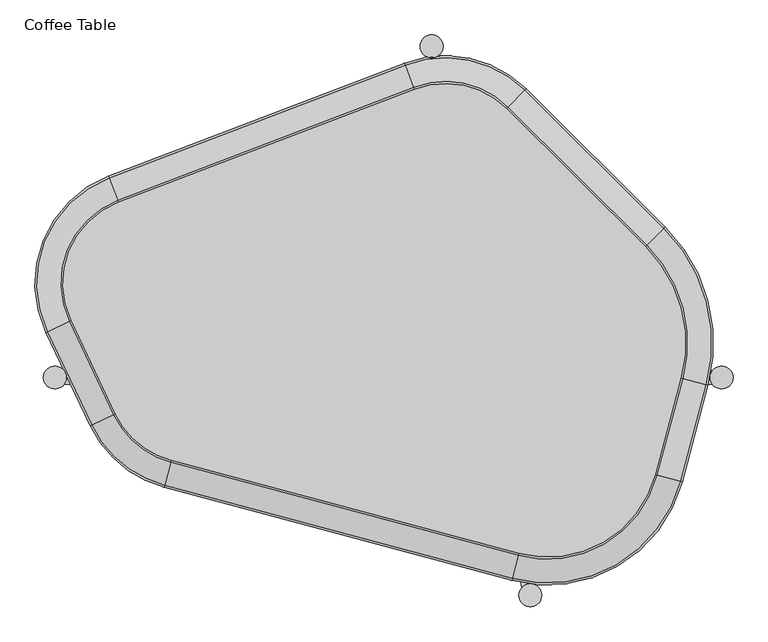
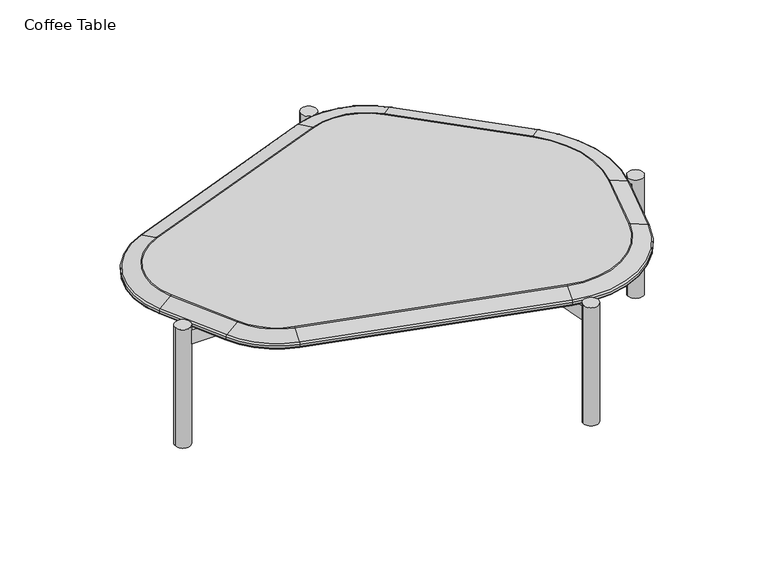
"""IFC4 building model written with IfcOpenShell, lengths in millimetres: furniture geometry, Coffee Table."""

from ifc_helpers import new_model, si_unit, point, frame, origin, place, context, project, spatial, polyline, circle_curve, ellipse_curve, trimmed, source, transform, mapped, element, save
from ifc_brep_helpers import plane_surface, cylinder_surface, revolved_surface, advanced_brep


def coffee_table_8e93f0d2(model_context):
    return source(origin(), model_context, "Body", "AdvancedBrep", [
        advanced_brep(
        [(94.3219868, 12.5169958, 325.0001115), (-674.1552396, 12.5169958, 325.0001115), (-670.0171736, 0.0, 325.0001115), (-674.1426299, -12.499991, 325.0001115), (98.8206312, -12.499991, 325.0001115), (165.8112924, -385.0354313, 325.0001115), (190.4680998, -380.5880957, 325.0001115), (124.2771745, -12.499991, 325.0001115), (515.2895593, -12.499991, 325.0001115), (511.164103, 0.0, 325.0001115), (515.3021691, 12.5169958, 325.0001115), (119.77853, 12.5169958, 325.0001115), (15.3422971, 593.2874688, 325.0001115), (-9.3076646, 588.8020646, 325.0001115), (94.3219868, 12.5169958, 285.0002638), (-9.3076646, 588.8020646, 285.0002638), (15.3422971, 593.2874688, 285.0002638), (119.77853, 12.5169958, 285.0002638), (515.3021691, 12.5169958, 285.0002638), (511.164103, 0.0, 285.0002638), (515.2895593, -12.499991, 285.0002638), (124.2771745, -12.499991, 285.0002638), (190.4680998, -380.5880957, 285.0002638), (165.8112924, -385.0354313, 285.0002638), (98.8206312, -12.499991, 285.0002638), (-674.1426299, -12.499991, 285.0002638), (-670.0171736, 0.0, 285.0002638), (-674.1552396, 12.5169958, 285.0002638), (-712.0171736, 0.0, 338.1383504), (-670.0171736, 0.0, 338.1383504), (-21.0, 607.6267128, 338.1383504), (21.0, 607.6267128, 338.1383504), (511.164103, 0.0, 338.1383504), (553.164103, 0.0, 338.1383504), (160.1314131, -399.3983663, 338.1383504), (202.1314131, -399.3983663, 338.1383504), (-712.0171736, 0.0, 0.0), (-670.0171736, 0.0, 0.0), (-21.0, 607.6267128, 0.0), (21.0, 607.6267128, 0.0), (511.164103, 0.0, 0.0), (553.164103, 0.0, 0.0), (160.1314131, -399.3983663, 0.0), (202.1314131, -399.3983663, 0.0)],
        [
            (0, 1),
            (1, 2, circle_curve(frame((-691.0171736, 0.0, 325.0001115), z_axis=(0.0, 0.0, -1.0), x_axis=(1.0, 0.0, 0.0)), 21.0)),
            (2, 3, circle_curve(frame((-691.0171736, 0.0, 325.0001115), z_axis=(0.0, 0.0, -1.0), x_axis=(1.0, 0.0, 0.0)), 21.0)),
            (3, 4),
            (4, 5),
            (5, 6, circle_curve(frame((181.1314131, -399.3983663, 325.0001115), z_axis=(0.0, 0.0, -1.0), x_axis=(1.0, 0.0, 0.0)), 21.0)),
            (6, 7),
            (7, 8),
            (8, 9, circle_curve(frame((532.164103, 0.0, 325.0001115), z_axis=(0.0, 0.0, -1.0), x_axis=(1.0, 0.0, 0.0)), 21.0)),
            (9, 10, circle_curve(frame((532.164103, 0.0, 325.0001115), z_axis=(0.0, 0.0, -1.0), x_axis=(1.0, 0.0, 0.0)), 21.0)),
            (10, 11),
            (11, 12),
            (12, 13, circle_curve(frame((0.0, 607.6267128, 325.0001115), z_axis=(0.0, 0.0, -1.0), x_axis=(1.0, 0.0, 0.0)), 21.0)),
            (13, 0),
            (14, 15),
            (15, 16, circle_curve(frame((0.0, 607.6267128, 285.0002638), z_axis=(0.0, 0.0, 1.0), x_axis=(1.0, 0.0, 0.0)), 21.0)),
            (16, 17),
            (17, 18),
            (18, 19, circle_curve(frame((532.164103, 0.0, 285.0002638), z_axis=(0.0, 0.0, 1.0), x_axis=(1.0, 0.0, 0.0)), 21.0)),
            (19, 20, circle_curve(frame((532.164103, 0.0, 285.0002638), z_axis=(0.0, 0.0, 1.0), x_axis=(1.0, 0.0, 0.0)), 21.0)),
            (20, 21),
            (21, 22),
            (22, 23, circle_curve(frame((181.1314131, -399.3983663, 285.0002638), z_axis=(0.0, 0.0, 1.0), x_axis=(1.0, 0.0, 0.0)), 21.0)),
            (23, 24),
            (24, 25),
            (25, 26, circle_curve(frame((-691.0171736, 0.0, 285.0002638), z_axis=(0.0, 0.0, 1.0), x_axis=(1.0, 0.0, 0.0)), 21.0)),
            (26, 27, circle_curve(frame((-691.0171736, 0.0, 285.0002638), z_axis=(0.0, 0.0, 1.0), x_axis=(1.0, 0.0, 0.0)), 21.0)),
            (27, 14),
            (0, 14),
            (27, 1),
            (24, 4),
            (3, 25),
            (23, 5),
            (21, 7),
            (6, 22),
            (20, 8),
            (17, 11),
            (10, 18),
            (16, 12),
            (13, 15),
            (28, 29, circle_curve(frame((-691.0171736, 0.0, 338.1383504), z_axis=(0.0, 0.0, 1.0), x_axis=(1.0, 0.0, 0.0)), 21.0)),
            (29, 28, circle_curve(frame((-691.0171736, 0.0, 338.1383504), z_axis=(0.0, 0.0, 1.0), x_axis=(1.0, 0.0, 0.0)), 21.0)),
            (30, 31, circle_curve(frame((0.0, 607.6267128, 338.1383504), z_axis=(0.0, 0.0, 1.0), x_axis=(1.0, 0.0, 0.0)), 21.0)),
            (31, 30, circle_curve(frame((0.0, 607.6267128, 338.1383504), z_axis=(0.0, 0.0, 1.0), x_axis=(1.0, 0.0, 0.0)), 21.0)),
            (32, 33, circle_curve(frame((532.164103, 0.0, 338.1383504), z_axis=(0.0, 0.0, 1.0), x_axis=(1.0, 0.0, 0.0)), 21.0)),
            (33, 32, circle_curve(frame((532.164103, 0.0, 338.1383504), z_axis=(0.0, 0.0, 1.0), x_axis=(1.0, 0.0, 0.0)), 21.0)),
            (34, 35, circle_curve(frame((181.1314131, -399.3983663, 338.1383504), z_axis=(0.0, 0.0, 1.0), x_axis=(1.0, 0.0, 0.0)), 21.0)),
            (35, 34, circle_curve(frame((181.1314131, -399.3983663, 338.1383504), z_axis=(0.0, 0.0, 1.0), x_axis=(1.0, 0.0, 0.0)), 21.0)),
            (36, 37, circle_curve(frame((-691.0171736, 0.0, 0.0), z_axis=(0.0, 0.0, -1.0), x_axis=(1.0, 0.0, 0.0)), 21.0)),
            (37, 36, circle_curve(frame((-691.0171736, 0.0, 0.0), z_axis=(0.0, 0.0, -1.0), x_axis=(1.0, 0.0, 0.0)), 21.0)),
            (38, 39, circle_curve(frame((0.0, 607.6267128, 0.0), z_axis=(0.0, 0.0, -1.0), x_axis=(1.0, 0.0, 0.0)), 21.0)),
            (39, 38, circle_curve(frame((0.0, 607.6267128, 0.0), z_axis=(0.0, 0.0, -1.0), x_axis=(1.0, 0.0, 0.0)), 21.0)),
            (40, 41, circle_curve(frame((532.164103, 0.0, 0.0), z_axis=(0.0, 0.0, -1.0), x_axis=(1.0, 0.0, 0.0)), 21.0)),
            (41, 40, circle_curve(frame((532.164103, 0.0, 0.0), z_axis=(0.0, 0.0, -1.0), x_axis=(1.0, 0.0, 0.0)), 21.0)),
            (42, 43, circle_curve(frame((181.1314131, -399.3983663, 0.0), z_axis=(0.0, 0.0, -1.0), x_axis=(1.0, 0.0, 0.0)), 21.0)),
            (43, 42, circle_curve(frame((181.1314131, -399.3983663, 0.0), z_axis=(0.0, 0.0, -1.0), x_axis=(1.0, 0.0, 0.0)), 21.0)),
            (28, 36),
            (37, 26),
            (2, 29),
            (30, 38),
            (39, 31),
            (32, 9),
            (19, 40),
            (41, 33),
            (34, 42),
            (43, 35),
        ],
        [
            plane_surface(frame((-675.6225144, 12.5169958, 325.0001115), z_axis=(0.0, 0.0, 1.0), x_axis=(-1.0, 0.0, 0.0))),
            plane_surface(frame((-675.6225144, 12.5169958, 285.0002638), z_axis=(0.0, 0.0, -1.0), x_axis=(1.0, 0.0, 0.0))),
            plane_surface(frame((94.3219868, 12.5169958, 325.0001115), z_axis=(0.0, 1.0, 0.0), x_axis=(0.0, 0.0, -1.0))),
            plane_surface(frame((-685.3550178, -12.499991, 325.0001115), z_axis=(0.0, -1.0, 0.0), x_axis=(0.0, 0.0, -1.0))),
            plane_surface(frame((98.8206312, -12.499991, 325.0001115), z_axis=(-0.9842135808850035, -0.1769848219523885, 0.0), x_axis=(0.0, 0.0, -1.0))),
            plane_surface(frame((192.4240819, -391.4653229, 325.0001115), z_axis=(0.9842135808850041, 0.17698482195238546, 0.0), x_axis=(0.0, 0.0, -1.0))),
            plane_surface(frame((124.2771745, -12.499991, 325.0001115), z_axis=(0.0, -1.0, 0.0), x_axis=(0.0, 0.0, -1.0))),
            plane_surface(frame((522.4056366, 12.5169958, 325.0001115), z_axis=(0.0, 1.0, 0.0), x_axis=(0.0, 0.0, -1.0))),
            plane_surface(frame((119.77853, 12.5169958, 325.0001115), z_axis=(0.9842135808850041, 0.1769848219523855, 0.0), x_axis=(0.0, 0.0, -1.0))),
            plane_surface(frame((-12.1842137, 604.7985702, 325.0001115), z_axis=(-0.9842135808850035, -0.17698482195238843, 0.0), x_axis=(0.0, 0.0, -1.0))),
            plane_surface(frame((-670.0171736, 0.0, 338.1383504), z_axis=(0.0, 0.0, 1.0), x_axis=(0.0, 1.0, 0.0))),
            plane_surface(frame((-670.0171736, 0.0, 0.0), z_axis=(0.0, 0.0, -1.0), x_axis=(0.0, -1.0, 0.0))),
            cylinder_surface(frame((-691.0171736, 0.0, 0.0), z_axis=(0.0, 0.0, 1.0), x_axis=(1.0, 0.0, 0.0)), 21.0),
            cylinder_surface(frame((0.0, 607.6267128, 0.0), z_axis=(0.0, 0.0, 1.0), x_axis=(1.0, 0.0, 0.0)), 21.0),
            cylinder_surface(frame((532.164103, 0.0, 0.0), z_axis=(0.0, 0.0, 1.0), x_axis=(1.0, 0.0, 0.0)), 21.0),
            cylinder_surface(frame((181.1314131, -399.3983663, 0.0), z_axis=(0.0, 0.0, 1.0), x_axis=(1.0, 0.0, 0.0)), 21.0),
        ],
        [
            (0, [[1, 2, 3, 4, 5, 6, 7, 8, 9, 10, 11, 12, 13, 14]]),
            (1, [[15, 16, 17, 18, 19, 20, 21, 22, 23, 24, 25, 26, 27, 28]]),
            (2, [[29, -28, 30, -1]]),
            (3, [[31, -4, 32, -25]]),
            (4, [[-31, -24, 33, -5]]),
            (5, [[34, -7, 35, -22]]),
            (6, [[-34, -21, 36, -8]]),
            (7, [[37, -11, 38, -18]]),
            (8, [[-37, -17, 39, -12]]),
            (9, [[-29, -14, 40, -15]]),
            (10, [[41, 42]]),
            (10, [[43, 44]]),
            (10, [[45, 46]]),
            (10, [[47, 48]]),
            (11, [[49, 50]]),
            (11, [[51, 52]]),
            (11, [[53, 54]]),
            (11, [[55, 56]]),
            (12, [[-41, 57, -50, 58, -26, -32, -3, 59]]),
            (12, [[-42, -59, -2, -30, -27, -58, -49, -57]]),
            (13, [[-43, 60, -52, 61], [-13, -39, -16, -40]]),
            (13, [[-44, -61, -51, -60]]),
            (14, [[-45, 62, -9, -36, -20, 63, -54, 64]]),
            (14, [[-46, -64, -53, -63, -19, -38, -10, -62]]),
            (15, [[-47, 65, -56, 66]]),
            (15, [[-48, -66, -55, -65], [-6, -33, -23, -35]]),
        ],
    ),
        advanced_brep(
        [(-574.4524919, 321.4086629, 350.000039), (-661.2825402, 104.7602623, 350.000039), (-580.0053478, -66.2984619, 350.000039), (-477.6019635, -151.5960215, 350.000039), (160.3613364, -322.5378677, 350.000039), (410.0998783, -178.3512765, 350.000039), (457.5865801, -1.1284924, 350.000039), (392.7238419, 239.7395526, 350.000039), (137.9488708, 493.2456689, 350.000039), (-30.8395231, 529.0487896, 350.000039), (-706.6368774, 83.2105097, 325.0001115), (-592.3697043, 368.3168844, 325.0001115), (-48.7567356, 575.9570111, 325.0001115), (173.3665156, 528.8405869, 325.0001115), (428.1414867, 275.3344706, 325.0001115), (506.0892136, -14.1247339, 325.0001115), (458.6025118, -191.3475179, 325.0001115), (147.3650881, -371.0404994, 325.0001115), (-490.5982117, -200.0986532, 325.0001115), (-625.359685, -87.8482145, 325.0001115), (428.7591776, 275.9552532, 333.5931385), (428.7591776, 275.9552532, 327.8268488), (173.9842064, 529.4613694, 327.8268488), (173.9842064, 529.4613694, 333.593135), (-49.0692154, 576.7750999, 327.8268488), (-49.0692154, 576.7750999, 333.5931354), (-592.6821841, 369.1349732, 327.8268488), (-592.6821841, 369.1349732, 333.5931357), (-707.4278662, 82.8346776, 327.8268488), (-707.4278662, 82.8346776, 333.5931354), (-626.1506738, -88.2240466, 327.8268488), (-626.1506738, -88.2240466, 333.593135), (-490.8248689, -200.9445488, 327.8268488), (-490.8248689, -200.9445488, 333.5931354), (147.138431, -371.886395, 327.8268488), (147.138431, -371.886395, 333.593135), (459.4484075, -191.574175, 327.8268488), (459.4484075, -191.574175, 333.5931348), (506.9351093, -14.351391, 327.8268488), (506.9351093, -14.351391, 333.593135), (-704.0037216, 84.4616327, 338.4447678), (-664.8497783, 103.0653175, 349.2469963), (-575.8617278, 325.0981181, 349.2469963), (-591.3294772, 365.593514, 338.4447678), (-622.7265291, -86.5970915, 338.4447678), (-583.5725859, -67.9934067, 349.2469963), (-489.8436831, -197.2827154, 338.4447678), (-478.6241527, -155.4108813, 349.2469963), (148.1196168, -368.2245616, 338.4447678), (159.3391472, -326.3527275, 349.2469963), (455.7865739, -190.5929897, 338.4447678), (413.9147382, -179.3734651, 349.2469963), (503.2732758, -13.3702056, 338.4447678), (461.4014401, -2.1506811, 349.2469963), (426.0852296, 273.2679215, 338.4447678), (395.5095331, 242.5391867, 349.2469963), (171.3102584, 526.7740378, 338.4447678), (140.7345619, 496.045303, 349.2469963), (-47.7165084, 573.2336407, 338.4447678), (-32.2487591, 532.7382448, 349.2469963)],
        [
            (0, 1, circle_curve(frame((-517.7500336, 172.9585913, 350.000039), z_axis=(0.0, 0.0, 1.0), x_axis=(-0.35681976434592083, 0.9341732471935393, 0.0)), 158.9106432)),
            (1, 2),
            (2, 3, circle_curve(frame((-436.4728412, 1.8998671, 350.000039), z_axis=(0.0, 0.0, 1.0), x_axis=(-0.9032277742918593, -0.4291614937850017, 0.0)), 158.9106432)),
            (3, 4),
            (4, 5, circle_curve(frame((213.1373218, -125.5753185, 350.000039), z_axis=(0.0, 0.0, 1.0), x_axis=(-0.2588191795950635, -0.9659257902518901, 0.0)), 203.9106432)),
            (5, 6),
            (6, 7, circle_curve(frame((217.1573614, 63.2943226, 350.000039), z_axis=(0.0, 0.0, 1.0), x_axis=(0.9659258262890662, -0.2588190451025284, 0.0)), 248.9106432)),
            (7, 8),
            (8, 9, circle_curve(frame((25.8629351, 380.598718, 350.000039), z_axis=(0.0, 0.0, 1.0), x_axis=(0.7053393871066355, 0.7088697687135739, 0.0)), 158.9106432)),
            (9, 0),
            (10, 11, circle_curve(frame((-517.7500336, 172.9585913, 325.0001115), z_axis=(0.0, 0.0, -1.0), x_axis=(-0.35681976434592083, 0.9341732471935393, 0.0)), 209.1242643)),
            (11, 12),
            (12, 13, circle_curve(frame((25.8629351, 380.598718, 325.0001115), z_axis=(0.0, 0.0, -1.0), x_axis=(0.7053393871066355, 0.7088697687135739, 0.0)), 209.1242643)),
            (13, 14),
            (14, 15, circle_curve(frame((217.1573614, 63.2943226, 325.0001115), z_axis=(0.0, 0.0, -1.0), x_axis=(0.9659258262890662, -0.2588190451025284, 0.0)), 299.1242643)),
            (15, 16),
            (16, 17, circle_curve(frame((213.1373218, -125.5753185, 325.0001115), z_axis=(0.0, 0.0, -1.0), x_axis=(-0.2588191795950635, -0.9659257902518901, 0.0)), 254.1242643)),
            (17, 18),
            (18, 19, circle_curve(frame((-436.4728412, 1.8998671, 325.0001115), z_axis=(0.0, 0.0, -1.0), x_axis=(-0.9032277742918593, -0.4291614937850017, 0.0)), 209.1242643)),
            (19, 10),
            (20, 21),
            (21, 22),
            (22, 23),
            (23, 20),
            (22, 24, circle_curve(frame((25.8629351, 380.598718, 327.8268488), z_axis=(0.0, 0.0, 1.0), x_axis=(1.0, 0.0, 0.0)), 210.0)),
            (24, 25),
            (25, 23, circle_curve(frame((25.8629351, 380.598718, 333.593135), z_axis=(0.0, 0.0, -1.0), x_axis=(1.0, 0.0, 0.0)), 210.0)),
            (24, 26),
            (26, 27),
            (27, 25),
            (26, 28, circle_curve(frame((-517.7500336, 172.9585913, 327.8268488), z_axis=(0.0, 0.0, 1.0), x_axis=(1.0, 0.0, 0.0)), 210.0)),
            (28, 29),
            (29, 27, circle_curve(frame((-517.7500336, 172.9585913, 333.593135), z_axis=(0.0, 0.0, -1.0), x_axis=(1.0, 0.0, 0.0)), 210.0)),
            (28, 30),
            (30, 31),
            (31, 29),
            (30, 32, circle_curve(frame((-436.4728412, 1.8998671, 327.8268488), z_axis=(0.0, 0.0, 1.0), x_axis=(1.0, 0.0, 0.0)), 210.0)),
            (32, 33),
            (33, 31, circle_curve(frame((-436.4728412, 1.8998671, 333.593135), z_axis=(0.0, 0.0, -1.0), x_axis=(1.0, 0.0, 0.0)), 210.0)),
            (32, 34),
            (34, 35),
            (35, 33),
            (34, 36, circle_curve(frame((213.1373218, -125.5753185, 327.8268488), z_axis=(0.0, 0.0, 1.0), x_axis=(1.0, 0.0, 0.0)), 255.0)),
            (36, 37),
            (37, 35, circle_curve(frame((213.1373218, -125.5753185, 333.593135), z_axis=(0.0, 0.0, -1.0), x_axis=(1.0, 0.0, 0.0)), 255.0)),
            (36, 38),
            (38, 39),
            (39, 37),
            (20, 39, circle_curve(frame((217.1573614, 63.2943226, 333.593135), z_axis=(0.0, 0.0, -1.0), x_axis=(1.0, 0.0, 0.0)), 300.0)),
            (38, 21, circle_curve(frame((217.1573614, 63.2943226, 327.8268488), z_axis=(0.0, 0.0, 1.0), x_axis=(1.0, 0.0, 0.0)), 300.0)),
            (40, 41),
            (41, 42, circle_curve(frame((-517.7500336, 172.9585913, 349.2469963), z_axis=(0.0, 0.0, -1.0), x_axis=(-0.35681976434592083, 0.9341732471935393, 0.0)), 162.8600768)),
            (42, 43),
            (43, 40, circle_curve(frame((-517.7500336, 172.9585913, 338.4447678), z_axis=(0.0, 0.0, 1.0), x_axis=(-0.35681976434592083, 0.9341732471935393, 0.0)), 206.208991)),
            (40, 44),
            (44, 45),
            (45, 41),
            (44, 46, circle_curve(frame((-436.4728412, 1.8998671, 338.4447678), z_axis=(0.0, 0.0, 1.0), x_axis=(-0.9032277742918593, -0.4291614937850017, 0.0)), 206.208991)),
            (46, 47),
            (47, 45, circle_curve(frame((-436.4728412, 1.8998671, 349.2469963), z_axis=(0.0, 0.0, -1.0), x_axis=(-0.9032277742918593, -0.4291614937850017, 0.0)), 162.8600768)),
            (46, 48),
            (48, 49),
            (49, 47),
            (48, 50, circle_curve(frame((213.1373218, -125.5753185, 338.4447678), z_axis=(0.0, 0.0, 1.0), x_axis=(-0.2588191795950635, -0.9659257902518901, 0.0)), 251.208991)),
            (50, 51),
            (51, 49, circle_curve(frame((213.1373218, -125.5753185, 349.2469963), z_axis=(0.0, 0.0, -1.0), x_axis=(-0.2588191795950635, -0.9659257902518901, 0.0)), 207.8600768)),
            (50, 52),
            (52, 53),
            (53, 51),
            (52, 54, circle_curve(frame((217.1573614, 63.2943226, 338.4447678), z_axis=(0.0, 0.0, 1.0), x_axis=(0.9659258262890662, -0.2588190451025284, 0.0)), 296.208991)),
            (54, 55),
            (55, 53, circle_curve(frame((217.1573614, 63.2943226, 349.2469963), z_axis=(0.0, 0.0, -1.0), x_axis=(0.9659258262890662, -0.2588190451025284, 0.0)), 252.8600768)),
            (54, 56),
            (56, 57),
            (57, 55),
            (56, 58, circle_curve(frame((25.8629351, 380.598718, 338.4447678), z_axis=(0.0, 0.0, 1.0), x_axis=(0.7053393871066355, 0.7088697687135739, 0.0)), 206.208991)),
            (58, 59),
            (59, 57, circle_curve(frame((25.8629351, 380.598718, 349.2469963), z_axis=(0.0, 0.0, -1.0), x_axis=(0.7053393871066355, 0.7088697687135739, 0.0)), 162.8600768)),
            (42, 59),
            (58, 43),
            (43, 27, circle_curve(frame((-590.8980853, 364.464107, 333.593135), z_axis=(-0.9341732471935393, -0.35681976434592083, 0.0), x_axis=(0.35681976434592083, -0.9341732471935393, 0.0)), 5.0)),
            (29, 40, circle_curve(frame((-702.9117273, 84.9804851, 333.593135), z_axis=(-0.4291614937850015, 0.9032277742918594, 0.0), x_axis=(0.9032277742918594, 0.4291614937850015, 0.0)), 5.0)),
            (10, 28, circle_curve(frame((-702.9117273, 84.9804851, 327.8268488), z_axis=(-0.42916149378500174, 0.9032277742918593, 0.0), x_axis=(0.9032277742918593, 0.42916149378500174, 0.0)), 5.0)),
            (26, 11, circle_curve(frame((-590.8980853, 364.464107, 327.8268488), z_axis=(-0.9341732471935393, -0.35681976434592083, 0.0), x_axis=(0.35681976434592083, -0.9341732471935393, 0.0)), 5.0)),
            (31, 44, circle_curve(frame((-621.6345349, -86.0782391, 333.593135), z_axis=(-0.4291614937850071, 0.9032277742918567, 0.0), x_axis=(0.9032277742918567, 0.4291614937850071, 0.0)), 5.0)),
            (19, 30, circle_curve(frame((-621.6345349, -86.0782391, 327.8268488), z_axis=(-0.4291614937850071, 0.9032277742918567, 0.0), x_axis=(0.9032277742918567, 0.4291614937850071, 0.0)), 5.0)),
            (33, 46, circle_curve(frame((-489.530773, -196.1149199, 333.593135), z_axis=(-0.9659257902518895, 0.25881917959506523, 0.0), x_axis=(0.25881917959506523, 0.9659257902518895, 0.0)), 5.0)),
            (18, 32, circle_curve(frame((-489.530773, -196.1149199, 327.8268488), z_axis=(-0.9659257902518896, 0.25881917959506556, 0.0), x_axis=(0.25881917959506556, 0.9659257902518896, 0.0)), 5.0)),
            (35, 48, circle_curve(frame((148.4325269, -367.0567661, 333.593135), z_axis=(-0.9659257902518914, 0.2588191795950588, 0.0), x_axis=(0.2588191795950588, 0.9659257902518914, 0.0)), 5.0)),
            (17, 34, circle_curve(frame((148.4325269, -367.0567661, 327.8268488), z_axis=(-0.9659257902518914, 0.2588191795950588, 0.0), x_axis=(0.2588191795950588, 0.9659257902518914, 0.0)), 5.0)),
            (37, 50, circle_curve(frame((454.6187783, -190.2800798, 333.593135), z_axis=(-0.25881904510252773, -0.9659258262890665, 0.0), x_axis=(-0.9659258262890665, 0.25881904510252773, 0.0)), 5.0)),
            (16, 36, circle_curve(frame((454.6187783, -190.2800798, 327.8268488), z_axis=(-0.2588190451025275, -0.9659258262890665, 0.0), x_axis=(-0.9659258262890665, 0.2588190451025275, 0.0)), 5.0)),
            (39, 52, circle_curve(frame((502.1054802, -13.0572957, 333.593135), z_axis=(-0.25881904510252174, -0.9659258262890681, 0.0), x_axis=(-0.9659258262890681, 0.25881904510252174, 0.0)), 5.0)),
            (15, 38, circle_curve(frame((502.1054802, -13.0572957, 327.8268488), z_axis=(-0.25881904510252174, -0.9659258262890681, 0.0), x_axis=(-0.9659258262890681, 0.25881904510252174, 0.0)), 5.0)),
            (20, 54, circle_curve(frame((425.2324806, 272.4109043, 333.593135), z_axis=(0.7088697687135693, -0.70533938710664, 0.0), x_axis=(-0.70533938710664, -0.7088697687135693, 0.0)), 5.0)),
            (14, 21, circle_curve(frame((425.2324806, 272.4109043, 327.8268488), z_axis=(0.7088697687135693, -0.70533938710664, 0.0), x_axis=(-0.70533938710664, -0.7088697687135693, 0.0)), 5.0)),
            (23, 56, circle_curve(frame((170.4575095, 525.9170206, 333.593135), z_axis=(0.7088697687135737, -0.7053393871066359, 0.0), x_axis=(-0.7053393871066359, -0.7088697687135737, 0.0)), 5.0)),
            (13, 22, circle_curve(frame((170.4575095, 525.9170206, 327.8268488), z_axis=(0.7088697687135737, -0.7053393871066359, 0.0), x_axis=(-0.7053393871066359, -0.7088697687135737, 0.0)), 5.0)),
            (25, 58, circle_curve(frame((-47.2851166, 572.1042337, 333.593135), z_axis=(0.9341732471935388, 0.3568197643459218, 0.0), x_axis=(0.3568197643459218, -0.9341732471935388, 0.0)), 5.0)),
            (12, 24, circle_curve(frame((-47.2851166, 572.1042337, 327.8268488), z_axis=(0.9341732471935388, 0.3568197643459218, 0.0), x_axis=(0.3568197643459218, -0.9341732471935388, 0.0)), 5.0)),
            (41, 1, circle_curve(frame((-656.9787721, 106.8051635, 314.2768191), z_axis=(-0.42916149378500174, 0.9032277742918593, 0.0), x_axis=(0.9032277742918593, 0.42916149378500174, 0.0)), 36.039596)),
            (0, 42, circle_curve(frame((-572.7522901, 316.9574435, 314.2768191), z_axis=(-0.9341732471935393, -0.35681976434592083, 0.0), x_axis=(0.35681976434592083, -0.9341732471935393, 0.0)), 36.039596)),
            (45, 2, circle_curve(frame((-575.7015797, -64.2535607, 314.2768191), z_axis=(-0.4291614937850071, 0.9032277742918567, 0.0), x_axis=(0.9032277742918567, 0.4291614937850071, 0.0)), 36.039596)),
            (47, 3, circle_curve(frame((-476.3687223, -146.9935052, 314.2768191), z_axis=(-0.9659257902518896, 0.25881917959506556, 0.0), x_axis=(0.25881917959506556, 0.9659257902518896, 0.0)), 36.039596)),
            (49, 4, circle_curve(frame((161.5945776, -317.9353514, 314.2768191), z_axis=(-0.9659257902518914, 0.2588191795950588, 0.0), x_axis=(0.2588191795950588, 0.9659257902518914, 0.0)), 36.039596)),
            (51, 5, circle_curve(frame((405.4973618, -177.1180359, 314.2768191), z_axis=(-0.25881904510252773, -0.9659258262890665, 0.0), x_axis=(-0.9659258262890665, 0.25881904510252773, 0.0)), 36.039596)),
            (53, 6, circle_curve(frame((452.9840637, 0.1047481, 314.2768191), z_axis=(-0.25881904510252174, -0.9659258262890681, 0.0), x_axis=(-0.9659258262890681, 0.25881904510252174, 0.0)), 36.039596)),
            (55, 7, circle_curve(frame((389.3629875, 236.3618763, 314.2768191), z_axis=(0.7088697687135693, -0.70533938710664, 0.0), x_axis=(-0.70533938710664, -0.7088697687135693, 0.0)), 36.039596)),
            (57, 8, circle_curve(frame((134.5880163, 489.8679926, 314.2768191), z_axis=(0.7088697687135737, -0.7053393871066359, 0.0), x_axis=(-0.7053393871066359, -0.7088697687135737, 0.0)), 36.039596)),
            (59, 9, circle_curve(frame((-29.1393213, 524.5975702, 314.2768191), z_axis=(0.9341732471935388, 0.3568197643459218, 0.0), x_axis=(0.3568197643459218, -0.9341732471935388, 0.0)), 36.039596)),
        ],
        [
            plane_surface(frame((-170.9690123, 872.6966189, 350.000039), z_axis=(0.0, 0.0, 1.0000000000000002), x_axis=(-0.7088697687135737, 0.7053393871066359, 0.0))),
            plane_surface(frame((-170.9690123, 872.6966189, 325.0001115), z_axis=(0.0, 0.0, -1.0000000000000002), x_axis=(0.7088697687135737, -0.7053393871066359, 0.0))),
            plane_surface(frame((428.7591776, 275.9552532, 350.000039), z_axis=(0.7053393871066359, 0.7088697687135737, 0.0), x_axis=(0.0, 0.0, -1.0))),
            cylinder_surface(frame((25.8629351, 380.598718, 325.0001115), z_axis=(0.0, 0.0, 1.0), x_axis=(1.0, 0.0, 0.0)), 210.0),
            plane_surface(frame((-49.0692154, 576.7750999, 350.000039), z_axis=(-0.35681976434592166, 0.934173247193539, 0.0), x_axis=(0.0, 0.0, -1.0))),
            cylinder_surface(frame((-517.7500336, 172.9585913, 325.0001115), z_axis=(0.0, 0.0, 1.0), x_axis=(1.0, 0.0, 0.0)), 210.0),
            plane_surface(frame((-707.4278662, 82.8346776, 350.000039), z_axis=(-0.9032277742918566, -0.4291614937850075, 0.0), x_axis=(0.0, 0.0, -1.0))),
            cylinder_surface(frame((-436.4728412, 1.8998671, 325.0001115), z_axis=(0.0, 0.0, 1.0), x_axis=(1.0, 0.0, 0.0)), 210.0),
            plane_surface(frame((-490.8248689, -200.9445488, 350.000039), z_axis=(-0.25881917959505873, -0.9659257902518914, 0.0), x_axis=(0.0, 0.0, -1.0))),
            cylinder_surface(frame((213.1373218, -125.5753185, 325.0001115), z_axis=(0.0, 0.0, 1.0), x_axis=(1.0, 0.0, 0.0)), 255.0),
            plane_surface(frame((459.4484075, -191.574175, 350.000039), z_axis=(0.965925826289068, -0.2588190451025218, 0.0), x_axis=(0.0, 0.0, -1.0))),
            cylinder_surface(frame((217.1573614, 63.2943226, 325.0001115), z_axis=(0.0, 0.0, 1.0), x_axis=(1.0, 0.0, 0.0)), 300.0),
            revolved_surface(polyline([(-591.3294772, 365.593514, 338.4447678), (-575.8617278, 325.0981181, 349.2469963)]), (-517.7500336, 172.9585913, 0.0), (0.0, 0.0, 1.0)),
            plane_surface(frame((-664.8497783, 103.0653175, 349.2469963), z_axis=(-0.21839884594188236, -0.10377047477179745, 0.9703265598018482), x_axis=(0.4291614937850071, -0.9032277742918567, 0.0))),
            revolved_surface(polyline([(-622.7265291, -86.5970915, 338.4447678), (-583.5725859, -67.9934067, 349.2469963)]), (-436.4728412, 1.8998671, 0.0), (0.0, 0.0, 1.0)),
            plane_surface(frame((-478.6241527, -155.4108813, 349.2469963), z_axis=(-0.06258201058476374, -0.2335591130619374, 0.9703265598018482), x_axis=(0.9659257902518914, -0.2588191795950585, 0.0))),
            revolved_surface(polyline([(148.1196168, -368.2245616, 338.4447678), (159.3391472, -326.3527275, 349.2469963)]), (213.1373218, -125.5753185, 0.0), (0.0, 0.0, 1.0)),
            plane_surface(frame((413.9147382, -179.3734651, 349.2469963), z_axis=(0.23355912177566165, -0.06258197806471118, 0.9703265598018482), x_axis=(0.25881904510252224, 0.9659258262890679, 0.0))),
            revolved_surface(polyline([(503.2732758, -13.3702056, 338.4447678), (461.4014401, -2.1506811, 349.2469963)]), (217.1573614, 63.2943226, 0.0), (0.0, 0.0, 1.0)),
            plane_surface(frame((395.5095331, 242.5391867, 349.2469963), z_axis=(0.17054979101170537, 0.17140343091366056, 0.9703265598018485), x_axis=(-0.7088697687135738, 0.7053393871066358, 0.0))),
            revolved_surface(polyline([(171.3102584, 526.7740378, 338.4447678), (140.7345619, 496.045303, 349.2469963)]), (25.8629351, 380.598718, 0.0), (0.0, 0.0, 1.0)),
            plane_surface(frame((-32.2487591, 532.7382448, 349.2469963), z_axis=(-0.08627837513466768, 0.22588140544815097, 0.9703265598018482), x_axis=(-0.934173247193539, -0.3568197643459216, 0.0))),
            revolved_surface(trimmed(ellipse_curve(frame((-590.8980853, 364.464107, 333.593135), z_axis=(0.9341732471935393, 0.35681976434592083, 0.0), x_axis=(0.35681976434592083, -0.9341732471935393, 0.0)), 5.0, 5.0), [point((-592.6821841, 369.1349732, 333.593135))], [point((-591.3294772, 365.593514, 338.4447678))], True, "CARTESIAN"), (-517.7500336, 172.9585913, 0.0), (0.0, 0.0, 1.0)),
            revolved_surface(trimmed(ellipse_curve(frame((-590.8980853, 364.464107, 327.8268488), z_axis=(0.9341732471935393, 0.35681976434592083, 0.0), x_axis=(0.35681976434592083, -0.9341732471935393, 0.0)), 5.0, 5.0), [point((-591.3294772, 365.593514, 322.975216))], [point((-592.6821841, 369.1349732, 327.8268488))], True, "CARTESIAN"), (-517.7500336, 172.9585913, 0.0), (0.0, 0.0, 1.0)),
            cylinder_surface(frame((-702.9117273, 84.9804851, 333.593135), z_axis=(0.4291614937850071, -0.9032277742918567, 0.0), x_axis=(0.9032277742918567, 0.4291614937850071, 0.0)), 5.0),
            cylinder_surface(frame((-702.9117273, 84.9804851, 327.8268488), z_axis=(0.4291614937850071, -0.9032277742918567, 0.0), x_axis=(0.9032277742918567, 0.4291614937850071, 0.0)), 5.0),
            revolved_surface(trimmed(ellipse_curve(frame((-621.6345349, -86.0782391, 333.593135), z_axis=(-0.4291614937850016, 0.9032277742918593, 0.0), x_axis=(0.9032277742918593, 0.4291614937850016, 0.0)), 5.0, 5.0), [point((-626.1506738, -88.2240466, 333.593135))], [point((-622.7265291, -86.5970915, 338.4447678))], True, "CARTESIAN"), (-436.4728412, 1.8998671, 0.0), (0.0, 0.0, 1.0)),
            revolved_surface(trimmed(ellipse_curve(frame((-621.6345349, -86.0782391, 327.8268488), z_axis=(-0.4291614937850016, 0.9032277742918593, 0.0), x_axis=(0.9032277742918593, 0.4291614937850016, 0.0)), 5.0, 5.0), [point((-622.7265291, -86.5970915, 322.975216))], [point((-626.1506738, -88.2240466, 327.8268488))], True, "CARTESIAN"), (-436.4728412, 1.8998671, 0.0), (0.0, 0.0, 1.0)),
            cylinder_surface(frame((-489.530773, -196.1149199, 333.593135), z_axis=(0.9659257902518914, -0.2588191795950588, 0.0), x_axis=(0.2588191795950588, 0.9659257902518914, 0.0)), 5.0),
            cylinder_surface(frame((-489.530773, -196.1149199, 327.8268488), z_axis=(0.9659257902518914, -0.2588191795950588, 0.0), x_axis=(0.2588191795950588, 0.9659257902518914, 0.0)), 5.0),
            revolved_surface(trimmed(ellipse_curve(frame((148.4325269, -367.0567661, 333.593135), z_axis=(-0.9659257902518901, 0.25881917959506345, 0.0), x_axis=(0.25881917959506345, 0.9659257902518901, 0.0)), 5.0, 5.0), [point((147.138431, -371.886395, 333.593135))], [point((148.1196168, -368.2245616, 338.4447678))], True, "CARTESIAN"), (213.1373218, -125.5753185, 0.0), (0.0, 0.0, 1.0)),
            revolved_surface(trimmed(ellipse_curve(frame((148.4325269, -367.0567661, 327.8268488), z_axis=(-0.9659257902518901, 0.25881917959506345, 0.0), x_axis=(0.25881917959506345, 0.9659257902518901, 0.0)), 5.0, 5.0), [point((148.1196168, -368.2245616, 322.975216))], [point((147.138431, -371.886395, 327.8268488))], True, "CARTESIAN"), (213.1373218, -125.5753185, 0.0), (0.0, 0.0, 1.0)),
            cylinder_surface(frame((454.6187783, -190.2800798, 333.593135), z_axis=(0.25881904510252174, 0.9659258262890681, 0.0), x_axis=(-0.9659258262890681, 0.25881904510252174, 0.0)), 5.0),
            cylinder_surface(frame((454.6187783, -190.2800798, 327.8268488), z_axis=(0.25881904510252174, 0.9659258262890681, 0.0), x_axis=(-0.9659258262890681, 0.25881904510252174, 0.0)), 5.0),
            revolved_surface(trimmed(ellipse_curve(frame((502.1054802, -13.0572957, 333.593135), z_axis=(-0.2588190451025283, -0.9659258262890662, 0.0), x_axis=(-0.9659258262890662, 0.2588190451025283, 0.0)), 5.0, 5.0), [point((506.9351093, -14.351391, 333.593135))], [point((503.2732758, -13.3702056, 338.4447678))], True, "CARTESIAN"), (217.1573614, 63.2943226, 0.0), (0.0, 0.0, 1.0)),
            revolved_surface(trimmed(ellipse_curve(frame((502.1054802, -13.0572957, 327.8268488), z_axis=(-0.2588190451025283, -0.9659258262890662, 0.0), x_axis=(-0.9659258262890662, 0.2588190451025283, 0.0)), 5.0, 5.0), [point((503.2732758, -13.3702056, 322.975216))], [point((506.9351093, -14.351391, 327.8268488))], True, "CARTESIAN"), (217.1573614, 63.2943226, 0.0), (0.0, 0.0, 1.0)),
            cylinder_surface(frame((425.2324806, 272.4109043, 333.593135), z_axis=(-0.7088697687135737, 0.7053393871066359, 0.0), x_axis=(-0.7053393871066359, -0.7088697687135737, 0.0)), 5.0),
            cylinder_surface(frame((425.2324806, 272.4109043, 327.8268488), z_axis=(-0.7088697687135737, 0.7053393871066359, 0.0), x_axis=(-0.7053393871066359, -0.7088697687135737, 0.0)), 5.0),
            revolved_surface(trimmed(ellipse_curve(frame((170.4575095, 525.9170206, 333.593135), z_axis=(0.7088697687135738, -0.7053393871066356, 0.0), x_axis=(-0.7053393871066356, -0.7088697687135738, 0.0)), 5.0, 5.0), [point((173.9842064, 529.4613694, 333.593135))], [point((171.3102584, 526.7740378, 338.4447678))], True, "CARTESIAN"), (25.8629351, 380.598718, 0.0), (0.0, 0.0, 1.0)),
            revolved_surface(trimmed(ellipse_curve(frame((170.4575095, 525.9170206, 327.8268488), z_axis=(0.7088697687135738, -0.7053393871066356, 0.0), x_axis=(-0.7053393871066356, -0.7088697687135738, 0.0)), 5.0, 5.0), [point((171.3102584, 526.7740378, 322.975216))], [point((173.9842064, 529.4613694, 327.8268488))], True, "CARTESIAN"), (25.8629351, 380.598718, 0.0), (0.0, 0.0, 1.0)),
            cylinder_surface(frame((-47.2851166, 572.1042337, 333.593135), z_axis=(-0.9341732471935391, -0.3568197643459216, 0.0), x_axis=(0.3568197643459216, -0.9341732471935391, 0.0)), 5.0),
            cylinder_surface(frame((-47.2851166, 572.1042337, 327.8268488), z_axis=(-0.9341732471935391, -0.3568197643459216, 0.0), x_axis=(0.3568197643459216, -0.9341732471935391, 0.0)), 5.0),
            revolved_surface(trimmed(ellipse_curve(frame((-572.7522901, 316.9574435, 314.2768191), z_axis=(0.9341732471935393, 0.35681976434592083, 0.0), x_axis=(0.35681976434592083, -0.9341732471935393, 0.0)), 36.039596, 36.039596), [point((-575.8617278, 325.0981181, 349.2469963))], [point((-574.4524919, 321.4086629, 350.000039))], True, "CARTESIAN"), (-517.7500336, 172.9585913, 0.0), (0.0, 0.0, 1.0)),
            cylinder_surface(frame((-656.9787721, 106.8051635, 314.2768191), z_axis=(0.4291614937850071, -0.9032277742918567, 0.0), x_axis=(0.9032277742918567, 0.4291614937850071, 0.0)), 36.039596),
            revolved_surface(trimmed(ellipse_curve(frame((-575.7015797, -64.2535607, 314.2768191), z_axis=(-0.4291614937850016, 0.9032277742918593, 0.0), x_axis=(0.9032277742918593, 0.4291614937850016, 0.0)), 36.039596, 36.039596), [point((-583.5725859, -67.9934067, 349.2469963))], [point((-580.0053478, -66.2984619, 350.000039))], True, "CARTESIAN"), (-436.4728412, 1.8998671, 0.0), (0.0, 0.0, 1.0)),
            cylinder_surface(frame((-476.3687223, -146.9935052, 314.2768191), z_axis=(0.9659257902518914, -0.2588191795950588, 0.0), x_axis=(0.2588191795950588, 0.9659257902518914, 0.0)), 36.039596),
            revolved_surface(trimmed(ellipse_curve(frame((161.5945776, -317.9353514, 314.2768191), z_axis=(-0.9659257902518901, 0.25881917959506345, 0.0), x_axis=(0.25881917959506345, 0.9659257902518901, 0.0)), 36.039596, 36.039596), [point((159.3391472, -326.3527275, 349.2469963))], [point((160.3613364, -322.5378677, 350.000039))], True, "CARTESIAN"), (213.1373218, -125.5753185, 0.0), (0.0, 0.0, 1.0)),
            cylinder_surface(frame((405.4973618, -177.1180359, 314.2768191), z_axis=(0.25881904510252174, 0.9659258262890681, 0.0), x_axis=(-0.9659258262890681, 0.25881904510252174, 0.0)), 36.039596),
            revolved_surface(trimmed(ellipse_curve(frame((452.9840637, 0.1047481, 314.2768191), z_axis=(-0.2588190451025283, -0.9659258262890662, 0.0), x_axis=(-0.9659258262890662, 0.2588190451025283, 0.0)), 36.039596, 36.039596), [point((461.4014401, -2.1506811, 349.2469963))], [point((457.5865801, -1.1284924, 350.000039))], True, "CARTESIAN"), (217.1573614, 63.2943226, 0.0), (0.0, 0.0, 1.0)),
            cylinder_surface(frame((389.3629875, 236.3618763, 314.2768191), z_axis=(-0.7088697687135737, 0.7053393871066359, 0.0), x_axis=(-0.7053393871066359, -0.7088697687135737, 0.0)), 36.039596),
            revolved_surface(trimmed(ellipse_curve(frame((134.5880163, 489.8679926, 314.2768191), z_axis=(0.7088697687135738, -0.7053393871066356, 0.0), x_axis=(-0.7053393871066356, -0.7088697687135738, 0.0)), 36.039596, 36.039596), [point((140.7345619, 496.045303, 349.2469963))], [point((137.9488708, 493.2456689, 350.000039))], True, "CARTESIAN"), (25.8629351, 380.598718, 0.0), (0.0, 0.0, 1.0)),
            cylinder_surface(frame((-29.1393213, 524.5975702, 314.2768191), z_axis=(-0.9341732471935391, -0.3568197643459216, 0.0), x_axis=(0.3568197643459216, -0.9341732471935391, 0.0)), 36.039596),
        ],
        [
            (0, [[1, 2, 3, 4, 5, 6, 7, 8, 9, 10]]),
            (1, [[11, 12, 13, 14, 15, 16, 17, 18, 19, 20]]),
            (2, [[21, 22, 23, 24]]),
            (3, [[-23, 25, 26, 27]]),
            (4, [[-26, 28, 29, 30]]),
            (5, [[-29, 31, 32, 33]]),
            (6, [[-32, 34, 35, 36]]),
            (7, [[-35, 37, 38, 39]]),
            (8, [[-38, 40, 41, 42]]),
            (9, [[-41, 43, 44, 45]]),
            (10, [[-44, 46, 47, 48]]),
            (11, [[-21, 49, -47, 50]]),
            (12, [[51, 52, 53, 54]]),
            (13, [[-51, 55, 56, 57]]),
            (14, [[-56, 58, 59, 60]]),
            (15, [[-59, 61, 62, 63]]),
            (16, [[-62, 64, 65, 66]]),
            (17, [[-65, 67, 68, 69]]),
            (18, [[-68, 70, 71, 72]]),
            (19, [[-71, 73, 74, 75]]),
            (20, [[-74, 76, 77, 78]]),
            (21, [[-53, 79, -77, 80]]),
            (22, [[-54, 81, -33, 82]]),
            (23, [[83, -31, 84, -11]]),
            (24, [[-55, -82, -36, 85]]),
            (25, [[-83, -20, 86, -34]]),
            (26, [[-58, -85, -39, 87]]),
            (27, [[-86, -19, 88, -37]]),
            (28, [[-61, -87, -42, 89]]),
            (29, [[-88, -18, 90, -40]]),
            (30, [[-64, -89, -45, 91]]),
            (31, [[-90, -17, 92, -43]]),
            (32, [[-67, -91, -48, 93]]),
            (33, [[-92, -16, 94, -46]]),
            (34, [[-70, -93, -49, 95]]),
            (35, [[-94, -15, 96, -50]]),
            (36, [[-73, -95, -24, 97]]),
            (37, [[-96, -14, 98, -22]]),
            (38, [[-76, -97, -27, 99]]),
            (39, [[-98, -13, 100, -25]]),
            (40, [[-80, -99, -30, -81]]),
            (41, [[-100, -12, -84, -28]]),
            (42, [[-52, 101, -1, 102]]),
            (43, [[-57, 103, -2, -101]]),
            (44, [[-60, 104, -3, -103]]),
            (45, [[-63, 105, -4, -104]]),
            (46, [[-66, 106, -5, -105]]),
            (47, [[-69, 107, -6, -106]]),
            (48, [[-72, 108, -7, -107]]),
            (49, [[-75, 109, -8, -108]]),
            (50, [[-78, 110, -9, -109]]),
            (51, [[-79, -102, -10, -110]]),
        ],
    ),
    ])


if __name__ == "__main__":
    model = new_model("IFC4")
    model_context = context("Model", 3, world=origin())
    ifc_project = project(units=[si_unit("LENGTHUNIT", "METRE", prefix="MILLI")], contexts=[model_context])
    site = spatial("IfcSite", under=ifc_project)
    building = spatial("IfcBuilding", under=site)
    placement = place(None, origin())
    coffee_table_shape = coffee_table_8e93f0d2(model_context)
    element("IfcFurniture", 1, ObjectType="Coffee Table", at=placement, inside=building, context=model_context, shape_type="MappedRepresentation", body=[
        mapped(coffee_table_shape, transform((0.0, 0.0, 0.0), x_axis=(1.0, 0.0, 0.0), y_axis=(0.0, 1.0, 0.0), z_axis=(0.0, 0.0, 1.0))),
    ])
    save(model, "model.ifc")
